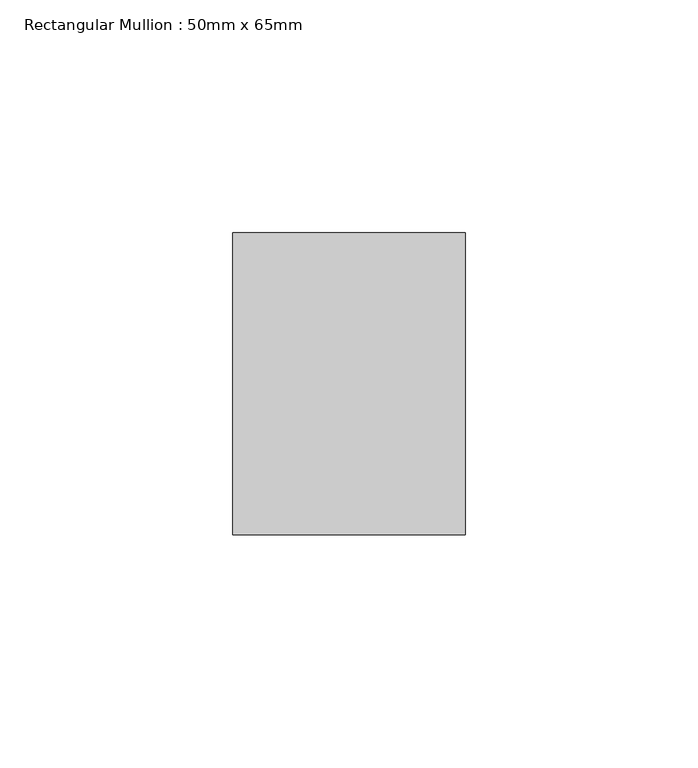
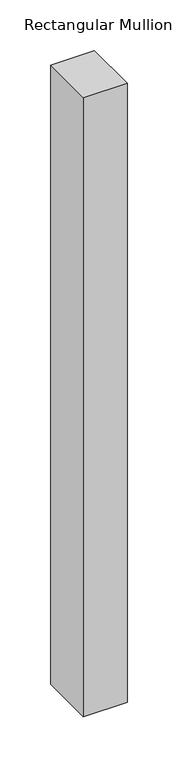
"""IFC4 building model written with IfcOpenShell, lengths in millimetres: member geometry, Rectangular Mullion : 50mm x 65mm."""

from ifc_helpers import new_model, si_unit, frame, origin, place, context, project, spatial, polyline, outline, extrude, source, transform, mapped, element, save


def rectangular_mullion_50mm_x_65mm_98ea4d65(model_context):
    return source(origin(), model_context, "Body", "SweptSolid", [
        extrude(outline(polyline([(25.0, 32.5), (25.0, -32.5), (-25.0, -32.5), (-25.0, 32.5), (25.0, 32.5)])), frame((0.0, 0.0, -748.3579736), z_axis=(0.0, 0.0, 1.0), x_axis=(1.0, 0.0, 0.0)), (0.0, 0.0, 1.0), 748.3579736),
    ])


if __name__ == "__main__":
    model = new_model("IFC4")
    model_context = context("Model", 3, world=origin())
    ifc_project = project(units=[si_unit("LENGTHUNIT", "METRE", prefix="MILLI")], contexts=[model_context])
    site = spatial("IfcSite", under=ifc_project)
    building = spatial("IfcBuilding", under=site)
    placement = place(None, origin())
    rectangular_mullion_50mm_x_65mm_shape = rectangular_mullion_50mm_x_65mm_98ea4d65(model_context)
    element("IfcMember", 1, ObjectType="Rectangular Mullion : 50mm x 65mm", at=placement, inside=building, context=model_context, shape_type="MappedRepresentation", body=[
        mapped(rectangular_mullion_50mm_x_65mm_shape, transform((0.0, 0.0, 0.0), x_axis=(1.0, 0.0, 0.0), y_axis=(0.0, 1.0, 0.0), z_axis=(0.0, 0.0, 1.0))),
    ])
    save(model, "model.ifc")
